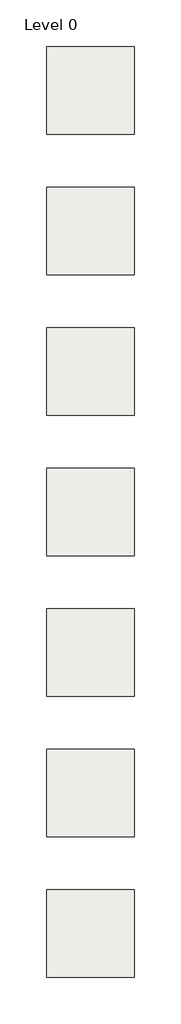
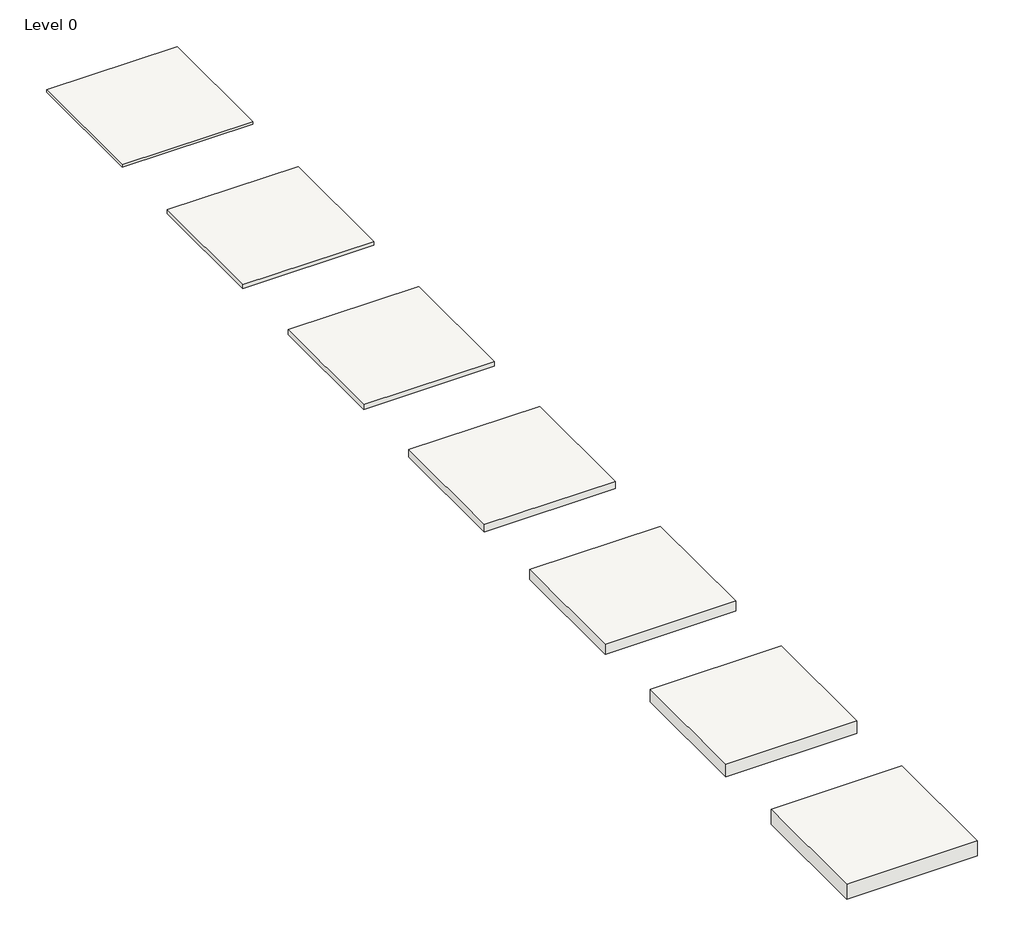
# One storey: 7 coverings.
"""IFC4 building model written with IfcOpenShell, lengths in millimetres."""

from ifc_helpers import new_model, si_unit, frame, origin, place, context, project, spatial, polyline, outline, extrude, element, save

model = new_model("IFC4")

# Units and contexts
model_context = context("Model", 3, world=origin())
ifc_project = project(units=[si_unit("LENGTHUNIT", "METRE", prefix="MILLI")], contexts=[model_context])

# Site, building, storey
site = spatial("IfcSite", under=ifc_project)
building = spatial("IfcBuilding", under=site)
storey = spatial("IfcBuildingStorey", under=building, Name="Level 0", Elevation=0.0)

# Coverings
placement = place(None, origin())
element("IfcCovering", 1, at=placement, inside=storey, context=model_context, shape_type="SweptSolid", body=[
    extrude(outline(polyline([(4758.592582, 3600.012889), (2258.592582, 3600.012889), (2258.592582, 6100.012889), (4758.592582, 6100.012889), (4758.592582, 3600.012889)])), frame((0.0, 0.0, -50.0), z_axis=(0.0, 0.0, 1.0), x_axis=(1.0, 0.0, 0.0)), (0.0, 0.0, 1.0), 50.0),
])
element("IfcCovering", 2, at=placement, inside=storey, context=model_context, shape_type="SweptSolid", body=[
    extrude(outline(polyline([(4758.592582, -399.987111), (2258.592582, -399.987111), (2258.592582, 2100.012889), (4758.592582, 2100.012889), (4758.592582, -399.987111)])), frame((0.0, 0.0, -75.0), z_axis=(0.0, 0.0, 1.0), x_axis=(1.0, 0.0, 0.0)), (0.0, 0.0, 1.0), 75.0),
])
element("IfcCovering", 3, at=placement, inside=storey, context=model_context, shape_type="SweptSolid", body=[
    extrude(outline(polyline([(4758.592582, -4399.987111), (2258.592582, -4399.987111), (2258.592582, -1899.987111), (4758.592582, -1899.987111), (4758.592582, -4399.987111)])), frame((0.0, 0.0, -100.0), z_axis=(0.0, 0.0, 1.0), x_axis=(1.0, 0.0, 0.0)), (0.0, 0.0, 1.0), 100.0),
])
element("IfcCovering", 4, at=placement, inside=storey, context=model_context, shape_type="SweptSolid", body=[
    extrude(outline(polyline([(4758.592582, -8399.987111), (2258.592582, -8399.987111), (2258.592582, -5899.987111), (4758.592582, -5899.987111), (4758.592582, -8399.987111)])), frame((0.0, 0.0, -150.0), z_axis=(0.0, 0.0, 1.0), x_axis=(1.0, 0.0, 0.0)), (0.0, 0.0, 1.0), 150.0),
])
element("IfcCovering", 5, at=placement, inside=storey, context=model_context, shape_type="SweptSolid", body=[
    extrude(outline(polyline([(4758.592582, -12399.987111), (2258.592582, -12399.987111), (2258.592582, -9899.987111), (4758.592582, -9899.987111), (4758.592582, -12399.987111)])), frame((0.0, 0.0, -200.0), z_axis=(0.0, 0.0, 1.0), x_axis=(1.0, 0.0, 0.0)), (0.0, 0.0, 1.0), 200.0),
])
element("IfcCovering", 6, at=placement, inside=storey, context=model_context, shape_type="SweptSolid", body=[
    extrude(outline(polyline([(4758.592582, -16399.987111), (2258.592582, -16399.987111), (2258.592582, -13899.987111), (4758.592582, -13899.987111), (4758.592582, -16399.987111)])), frame((0.0, 0.0, -250.0), z_axis=(0.0, 0.0, 1.0), x_axis=(1.0, 0.0, 0.0)), (0.0, 0.0, 1.0), 250.0),
])
element("IfcCovering", 7, at=placement, inside=storey, context=model_context, shape_type="SweptSolid", body=[
    extrude(outline(polyline([(4758.592582, -20399.987111), (2258.592582, -20399.987111), (2258.592582, -17899.987111), (4758.592582, -17899.987111), (4758.592582, -20399.987111)])), frame((0.0, 0.0, -300.0), z_axis=(0.0, 0.0, 1.0), x_axis=(1.0, 0.0, 0.0)), (0.0, 0.0, 1.0), 300.0),
])

save(model, "model.ifc")
